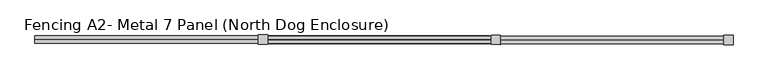
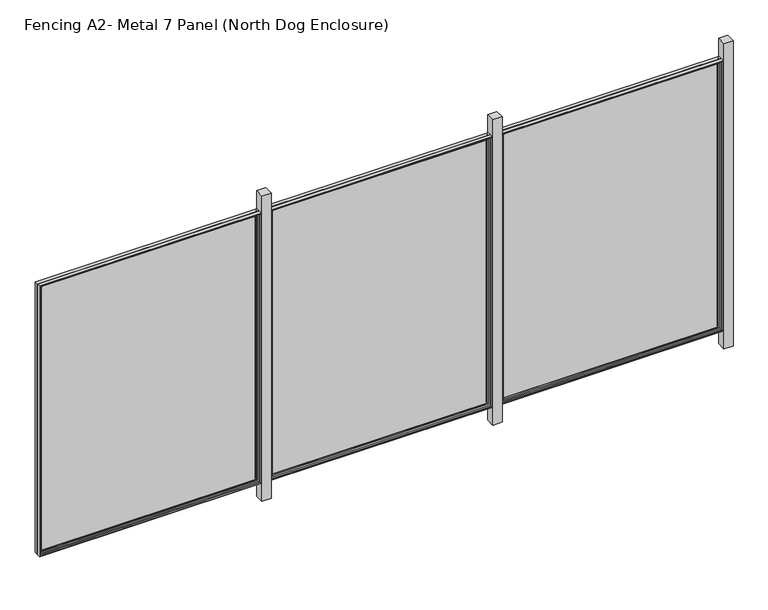
"""IFC4 building model written with IfcOpenShell, lengths in millimetres: railing geometry, Fencing A2- Metal 7 Panel (North Dog Enclosure)."""

from ifc_helpers import new_model, si_unit, frame, origin, place, context, project, spatial, polyline, ellipse_curve, outline, extrude, source, transform, mapped, element, save
from ifc_brep_helpers import plane_surface, cylinder_surface, advanced_brep


def fencing_a2_metal_7_panel_north_dog_enclosure_f3e78f8b(model_context):
    return source(origin(), model_context, "Body", "SolidModel", [
        advanced_brep(
        [(24522.8344246, 2303.1159469, 908.05), (24526.0131912, 2306.2871759, 911.225), (24526.0131912, 2306.2871759, -657.225), (24522.8344246, 2303.1159469, -654.05), (23313.1640457, 2307.7268643, -657.225), (23316.3352746, 2304.5480977, -654.05), (23309.9890479, 2307.7306331, -660.4), (23309.9890479, 2307.7306331, 914.4), (24529.188189, 2306.283407, 914.4), (24529.188189, 2306.283407, -660.4), (23313.1640457, 2307.7268643, 911.225), (23316.3352746, 2304.5480977, 908.05), (24522.8231182, 2293.5909536, -654.05), (23316.3239682, 2295.0231044, -654.05), (24522.8231182, 2293.5909536, 908.05), (23316.3239682, 2295.0231044, 908.05), (24513.2981249, 2293.6022601, -644.525), (24513.2981249, 2293.6022601, 898.525), (23325.8489615, 2295.011798, 898.525), (23325.8489615, 2295.011798, -644.525), (24510.1193583, 2290.4310311, 895.35), (24510.1193583, 2290.4310311, -641.35), (23329.0201904, 2291.8330314, -641.35), (23329.0201904, 2291.8330314, 895.35), (24510.1155895, 2287.2560334, -641.35), (23329.0164216, 2288.6580337, -641.35), (24510.1155895, 2287.2560334, 895.35), (23329.0164216, 2288.6580337, 895.35), (24529.1655761, 2287.2334205, -660.4), (24529.1655761, 2287.2334205, 914.4), (23309.966435, 2288.6806466, 914.4), (23309.966435, 2288.6806466, -660.4)],
        [
            (0, 1, ellipse_curve(frame((24526.0094224, 2303.1121781, 911.225), z_axis=(0.7071062830160321, -0.0008393564505195757, -0.7071067811865475), x_axis=(0.707106283016032, -0.0008393564505195756, 0.7071067811865476)), 4.4901281, 3.175)),
            (1, 2),
            (2, 3, ellipse_curve(frame((24526.0094224, 2303.1121781, -657.225), z_axis=(0.7071062830160321, -0.0008393564505195757, 0.7071067811865475), x_axis=(-0.707106283016032, 0.0008393564505195756, 0.7071067811865476)), 4.4901281, 3.175)),
            (3, 0),
            (2, 4),
            (4, 5, ellipse_curve(frame((23313.1602769, 2304.5518666, -657.225), z_axis=(0.7071062830160321, -0.0008393564505195757, -0.7071067811865475), x_axis=(0.7071062830160322, -0.0008393564505195758, 0.7071067811865474)), 4.4901281, 3.175)),
            (5, 3),
            (6, 7),
            (7, 8),
            (8, 9),
            (9, 6),
            (1, 10),
            (10, 4),
            (10, 11, ellipse_curve(frame((23313.1602769, 2304.5518666, 911.225), z_axis=(-0.7071062830160321, 0.0008393564505195757, -0.7071067811865475), x_axis=(0.707106283016032, -0.0008393564505195756, -0.7071067811865476)), 4.4901281, 3.175)),
            (11, 5),
            (12, 3),
            (5, 13),
            (13, 12),
            (14, 0),
            (12, 14),
            (11, 15),
            (15, 13),
            (15, 14),
            (16, 17),
            (17, 18),
            (18, 19),
            (19, 16),
            (20, 17, ellipse_curve(frame((24513.2943561, 2290.4272623, 898.525), z_axis=(0.7071062830160321, -0.0008393564505195757, -0.7071067811865475), x_axis=(0.707106283016032, -0.0008393564505195756, 0.7071067811865476)), 4.4901281, 3.175)),
            (16, 21, ellipse_curve(frame((24513.2943561, 2290.4272623, -644.525), z_axis=(0.7071062830160321, -0.0008393564505195757, 0.7071067811865475), x_axis=(-0.707106283016032, 0.0008393564505195756, 0.7071067811865476)), 4.4901281, 3.175)),
            (21, 20),
            (19, 22, ellipse_curve(frame((23325.8451927, 2291.8368002, -644.525), z_axis=(0.7071062830160321, -0.0008393564505195757, -0.7071067811865475), x_axis=(0.7071062830160322, -0.0008393564505195758, 0.7071067811865474)), 4.4901281, 3.175)),
            (22, 21),
            (18, 23, ellipse_curve(frame((23325.8451927, 2291.8368002, 898.525), z_axis=(-0.7071062830160321, 0.0008393564505195757, -0.7071067811865475), x_axis=(0.707106283016032, -0.0008393564505195756, -0.7071067811865476)), 4.4901281, 3.175)),
            (23, 22),
            (24, 21),
            (22, 25),
            (25, 24),
            (26, 20),
            (24, 26),
            (23, 27),
            (27, 25),
            (28, 29),
            (29, 30),
            (30, 31),
            (31, 28),
            (27, 26),
            (8, 29),
            (28, 9),
            (31, 6),
            (30, 7),
            (0, 11),
            (20, 23),
        ],
        [
            cylinder_surface(frame((24526.0094224, 2303.1121781, 914.4), z_axis=(0.0, 0.0, 1.0), x_axis=(0.9999992954805008, -0.0011870292759906809, 0.0)), 3.175),
            cylinder_surface(frame((24529.1844202, 2303.1084093, -657.225), z_axis=(0.9999992954805008, -0.0011870292759901258, 0.0), x_axis=(0.0, 0.0, -1.0)), 3.175),
            plane_surface(frame((24529.188189, 2306.283407, 914.4), z_axis=(0.0011870292759906809, 0.9999992954805008, 0.0), x_axis=(0.0, 0.0, -1.0))),
            cylinder_surface(frame((23313.1602769, 2304.5518666, -660.4), z_axis=(0.0, 0.0, -1.0), x_axis=(-0.9999992954805008, 0.0011870292759895706, 0.0)), 3.175),
            plane_surface(frame((24522.8344246, 2303.1159469, -654.05), z_axis=(0.0, 0.0, 1.0), x_axis=(-0.9999992954805008, 0.0011870292759901305, 0.0))),
            plane_surface(frame((24522.8344246, 2303.1159469, 908.05), z_axis=(-0.9999992954805008, 0.0011870292759906809, 0.0), x_axis=(0.0, 0.0, -1.0))),
            plane_surface(frame((23316.3352746, 2304.5480977, -654.05), z_axis=(0.9999992954805008, -0.0011870292759895706, 0.0), x_axis=(0.0, 0.0, 1.0))),
            plane_surface(frame((24522.8231182, 2293.5909536, 908.05), z_axis=(0.0011870292759906809, 0.9999992954805008, 0.0), x_axis=(0.0, 0.0, -1.0))),
            cylinder_surface(frame((24513.2943561, 2290.4272623, 914.4), z_axis=(0.0, 0.0, 1.0), x_axis=(0.9999992954805008, -0.0011870292759906809, 0.0)), 3.175),
            cylinder_surface(frame((24529.1693449, 2290.4084182, -644.525), z_axis=(0.9999992954805008, -0.0011870292759901258, 0.0), x_axis=(0.0, 0.0, -1.0)), 3.175),
            cylinder_surface(frame((23325.8451927, 2291.8368002, -660.4), z_axis=(0.0, 0.0, -1.0), x_axis=(-0.9999992954805008, 0.0011870292759895706, 0.0)), 3.175),
            plane_surface(frame((24510.1193583, 2290.4310311, -641.35), z_axis=(0.0, 0.0, 1.0), x_axis=(-0.9999992954805008, 0.001187029275990133, 0.0))),
            plane_surface(frame((24510.1193583, 2290.4310311, 895.35), z_axis=(-0.9999992954805008, 0.0011870292759906809, 0.0), x_axis=(0.0, 0.0, -1.0))),
            plane_surface(frame((23329.0201904, 2291.8330314, -641.35), z_axis=(0.9999992954805008, -0.0011870292759895706, 0.0), x_axis=(0.0, 0.0, 1.0))),
            plane_surface(frame((24510.1155895, 2287.2560334, 895.35), z_axis=(-0.0011870292759906809, -0.9999992954805008, 0.0), x_axis=(0.0, 0.0, -1.0))),
            plane_surface(frame((24529.1655761, 2287.2334205, 914.4), z_axis=(0.9999992954805008, -0.0011870292759906809, 0.0), x_axis=(0.0, 0.0, -1.0))),
            plane_surface(frame((24529.1655761, 2287.2334205, -660.4), z_axis=(0.0, 0.0, -1.0), x_axis=(-0.9999992954805008, 0.0011870292759901258, 0.0))),
            plane_surface(frame((23309.966435, 2288.6806466, -660.4), z_axis=(-0.9999992954805008, 0.0011870292759895706, 0.0), x_axis=(0.0, 0.0, 1.0))),
            cylinder_surface(frame((23309.9852791, 2304.5556354, 911.225), z_axis=(-0.9999992954805008, 0.0011870292759901258, 0.0), x_axis=(0.0, 0.0, 1.0)), 3.175),
            plane_surface(frame((23316.3352746, 2304.5480977, 908.05), z_axis=(0.0, 0.0, -1.0), x_axis=(0.9999992954805008, -0.0011870292759901268, 0.0))),
            cylinder_surface(frame((23309.9702038, 2291.8556443, 898.525), z_axis=(-0.9999992954805008, 0.0011870292759901258, 0.0), x_axis=(0.0, 0.0, 1.0)), 3.175),
            plane_surface(frame((23329.0201904, 2291.8330314, 895.35), z_axis=(0.0, 0.0, -1.0), x_axis=(0.9999992954805008, -0.001187029275990133, 0.0))),
            plane_surface(frame((23309.966435, 2288.6806466, 914.4), z_axis=(0.0, 0.0, 1.0), x_axis=(0.9999992954805008, -0.0011870292759901258, 0.0))),
        ],
        [
            (0, [[1, 2, 3, 4]]),
            (1, [[-3, 5, 6, 7]]),
            (2, [[8, 9, 10, 11], [-2, 12, 13, -5]]),
            (3, [[-6, -13, 14, 15]]),
            (4, [[16, -7, 17, 18]]),
            (5, [[19, -4, -16, 20]]),
            (6, [[-17, -15, 21, 22]]),
            (7, [[-22, 23, -20, -18], [24, 25, 26, 27]]),
            (8, [[28, -24, 29, 30]]),
            (9, [[-29, -27, 31, 32]]),
            (10, [[-31, -26, 33, 34]]),
            (11, [[35, -32, 36, 37]]),
            (12, [[38, -30, -35, 39]]),
            (13, [[-36, -34, 40, 41]]),
            (14, [[42, 43, 44, 45], [-41, 46, -39, -37]]),
            (15, [[47, -42, 48, -10]]),
            (16, [[-48, -45, 49, -11]]),
            (17, [[-49, -44, 50, -8]]),
            (18, [[-14, -12, -1, 51]]),
            (19, [[-21, -51, -19, -23]]),
            (20, [[-33, -25, -28, 52]]),
            (21, [[-40, -52, -38, -46]]),
            (22, [[-50, -43, -47, -9]]),
        ],
    ),
        advanced_brep(
        [(24529.1618073, 2284.0584227, 914.4), (24529.1391944, 2265.0084361, 914.4), (24529.1391944, 2265.0084361, -660.4), (24529.1618073, 2284.0584227, -660.4), (23309.9400533, 2266.4556622, -660.4), (23309.9626662, 2285.5056488, -660.4), (23309.9400533, 2266.4556622, 914.4), (23313.1150511, 2266.4518934, -657.225), (23313.1150511, 2266.4518934, 911.225), (24525.9641966, 2265.0122049, 911.225), (24525.9641966, 2265.0122049, -657.225), (23309.9626662, 2285.5056488, 914.4), (24510.1118207, 2284.0810356, -641.35), (24510.1118207, 2284.0810356, 895.35), (23329.0126528, 2285.4830359, 895.35), (23329.0126528, 2285.4830359, -641.35), (24510.1080519, 2280.9060378, 895.35), (24510.1080519, 2280.9060378, -641.35), (23329.008884, 2282.3080381, -641.35), (23329.008884, 2282.3080381, 895.35), (24513.2792808, 2277.7272713, -644.525), (23325.8301174, 2279.1368092, -644.525), (24513.2792808, 2277.7272713, 898.525), (23325.8301174, 2279.1368092, 898.525), (24522.8042741, 2277.7159648, -654.05), (24522.8042741, 2277.7159648, 908.05), (23316.3051241, 2279.1481156, 908.05), (23316.3051241, 2279.1481156, -654.05), (24522.7929676, 2268.1909715, 908.05), (24522.7929676, 2268.1909715, -654.05), (23316.2938176, 2269.6231223, -654.05), (23316.2938176, 2269.6231223, 908.05)],
        [
            (0, 1),
            (1, 2),
            (2, 3),
            (3, 0),
            (2, 4),
            (4, 5),
            (5, 3),
            (1, 6),
            (6, 4),
            (7, 8),
            (8, 9),
            (9, 10),
            (10, 7),
            (6, 11),
            (11, 5),
            (11, 0),
            (12, 13),
            (13, 14),
            (14, 15),
            (15, 12),
            (16, 13),
            (12, 17),
            (17, 16),
            (15, 18),
            (18, 17),
            (14, 19),
            (19, 18),
            (20, 17, ellipse_curve(frame((24513.2830496, 2280.902269, -644.525), z_axis=(-0.7071062830160321, 0.0008393564505195757, -0.7071067811865475), x_axis=(0.7071062830160322, -0.0008393564505195758, -0.7071067811865474)), 4.4901281, 3.175)),
            (18, 21, ellipse_curve(frame((23325.8338862, 2282.3118069, -644.525), z_axis=(0.7071062830160321, -0.0008393564505195757, -0.7071067811865475), x_axis=(0.7071062830160322, -0.0008393564505195758, 0.7071067811865474)), 4.4901281, 3.175)),
            (21, 20),
            (22, 16, ellipse_curve(frame((24513.2830496, 2280.902269, 898.525), z_axis=(0.7071062830160321, -0.0008393564505195757, -0.7071067811865475), x_axis=(0.707106283016032, -0.0008393564505195756, 0.7071067811865476)), 4.4901281, 3.175)),
            (20, 22),
            (19, 23, ellipse_curve(frame((23325.8338862, 2282.3118069, 898.525), z_axis=(-0.7071062830160321, 0.0008393564505195757, -0.7071067811865475), x_axis=(0.707106283016032, -0.0008393564505195756, -0.7071067811865476)), 4.4901281, 3.175)),
            (23, 21),
            (24, 25),
            (25, 26),
            (26, 27),
            (27, 24),
            (23, 22),
            (28, 25),
            (24, 29),
            (29, 28),
            (27, 30),
            (30, 29),
            (26, 31),
            (31, 30),
            (10, 29, ellipse_curve(frame((24525.9679654, 2268.1872027, -657.225), z_axis=(-0.7071062830160321, 0.0008393564505195757, -0.7071067811865475), x_axis=(0.7071062830160322, -0.0008393564505195758, -0.7071067811865474)), 4.4901281, 3.175)),
            (30, 7, ellipse_curve(frame((23313.1188199, 2269.6268912, -657.225), z_axis=(0.7071062830160321, -0.0008393564505195757, -0.7071067811865475), x_axis=(0.7071062830160322, -0.0008393564505195758, 0.7071067811865474)), 4.4901281, 3.175)),
            (9, 28, ellipse_curve(frame((24525.9679654, 2268.1872027, 911.225), z_axis=(0.7071062830160321, -0.0008393564505195757, -0.7071067811865475), x_axis=(0.707106283016032, -0.0008393564505195756, 0.7071067811865476)), 4.4901281, 3.175)),
            (31, 8, ellipse_curve(frame((23313.1188199, 2269.6268912, 911.225), z_axis=(-0.7071062830160321, 0.0008393564505195757, -0.7071067811865475), x_axis=(0.707106283016032, -0.0008393564505195756, -0.7071067811865476)), 4.4901281, 3.175)),
            (16, 19),
            (28, 31),
        ],
        [
            plane_surface(frame((24529.1391944, 2265.0084361, 914.4), z_axis=(0.9999992954805008, -0.0011870292759906809, 0.0), x_axis=(0.0, 0.0, -1.0))),
            plane_surface(frame((24529.1391944, 2265.0084361, -660.4), z_axis=(0.0, 0.0, -1.0), x_axis=(-0.9999992954805008, 0.0011870292759901258, 0.0))),
            plane_surface(frame((24525.9641966, 2265.0122049, 911.225), z_axis=(-0.0011870292759906809, -0.9999992954805008, 0.0), x_axis=(0.0, 0.0, -1.0))),
            plane_surface(frame((23309.9400533, 2266.4556622, -660.4), z_axis=(-0.9999992954805008, 0.0011870292759895706, 0.0), x_axis=(0.0, 0.0, 1.0))),
            plane_surface(frame((24529.1618073, 2284.0584227, 914.4), z_axis=(0.0011870292759906809, 0.9999992954805008, 0.0), x_axis=(0.0, 0.0, -1.0))),
            plane_surface(frame((24510.1118207, 2284.0810356, 895.35), z_axis=(-0.9999992954805008, 0.0011870292759906809, 0.0), x_axis=(0.0, 0.0, -1.0))),
            plane_surface(frame((24510.1118207, 2284.0810356, -641.35), z_axis=(0.0, 0.0, 1.0), x_axis=(-0.9999992954805008, 0.001187029275990133, 0.0))),
            plane_surface(frame((23329.0126528, 2285.4830359, -641.35), z_axis=(0.9999992954805008, -0.0011870292759895706, 0.0), x_axis=(0.0, 0.0, 1.0))),
            cylinder_surface(frame((24529.1580384, 2280.8834249, -644.525), z_axis=(0.9999992954805008, -0.0011870292759901258, 0.0), x_axis=(0.0, 0.0, -1.0)), 3.175),
            cylinder_surface(frame((24513.2830496, 2280.902269, 914.4), z_axis=(0.0, 0.0, 1.0), x_axis=(0.9999992954805008, -0.0011870292759906809, 0.0)), 3.175),
            cylinder_surface(frame((23325.8338862, 2282.3118069, -660.4), z_axis=(0.0, 0.0, -1.0), x_axis=(-0.9999992954805008, 0.0011870292759895706, 0.0)), 3.175),
            plane_surface(frame((24513.2792808, 2277.7272713, 898.525), z_axis=(-0.0011870292759906809, -0.9999992954805008, 0.0), x_axis=(0.0, 0.0, -1.0))),
            plane_surface(frame((24522.8042741, 2277.7159648, 908.05), z_axis=(-0.9999992954805008, 0.0011870292759906809, 0.0), x_axis=(0.0, 0.0, -1.0))),
            plane_surface(frame((24522.8042741, 2277.7159648, -654.05), z_axis=(0.0, 0.0, 1.0), x_axis=(-0.9999992954805008, 0.0011870292759901268, 0.0))),
            plane_surface(frame((23316.3051241, 2279.1481156, -654.05), z_axis=(0.9999992954805008, -0.0011870292759895706, 0.0), x_axis=(0.0, 0.0, 1.0))),
            cylinder_surface(frame((24529.1429632, 2268.1834339, -657.225), z_axis=(0.9999992954805008, -0.0011870292759901258, 0.0), x_axis=(0.0, 0.0, -1.0)), 3.175),
            cylinder_surface(frame((24525.9679654, 2268.1872027, 914.4), z_axis=(0.0, 0.0, 1.0), x_axis=(0.9999992954805008, -0.0011870292759906809, 0.0)), 3.175),
            cylinder_surface(frame((23313.1188199, 2269.6268912, -660.4), z_axis=(0.0, 0.0, -1.0), x_axis=(-0.9999992954805008, 0.0011870292759895706, 0.0)), 3.175),
            plane_surface(frame((23309.9400533, 2266.4556622, 914.4), z_axis=(0.0, 0.0, 1.0), x_axis=(0.9999992954805008, -0.0011870292759901258, 0.0))),
            plane_surface(frame((23329.0126528, 2285.4830359, 895.35), z_axis=(0.0, 0.0, -1.0), x_axis=(0.9999992954805008, -0.001187029275990133, 0.0))),
            cylinder_surface(frame((23309.9588974, 2282.330651, 898.525), z_axis=(-0.9999992954805008, 0.0011870292759901258, 0.0), x_axis=(0.0, 0.0, 1.0)), 3.175),
            plane_surface(frame((23316.3051241, 2279.1481156, 908.05), z_axis=(0.0, 0.0, -1.0), x_axis=(0.9999992954805008, -0.0011870292759901268, 0.0))),
            cylinder_surface(frame((23309.9438221, 2269.63066, 911.225), z_axis=(-0.9999992954805008, 0.0011870292759901258, 0.0), x_axis=(0.0, 0.0, 1.0)), 3.175),
        ],
        [
            (0, [[1, 2, 3, 4]]),
            (1, [[-3, 5, 6, 7]]),
            (2, [[-2, 8, 9, -5], [10, 11, 12, 13]]),
            (3, [[-6, -9, 14, 15]]),
            (4, [[-15, 16, -4, -7], [17, 18, 19, 20]]),
            (5, [[21, -17, 22, 23]]),
            (6, [[-22, -20, 24, 25]]),
            (7, [[-24, -19, 26, 27]]),
            (8, [[28, -25, 29, 30]]),
            (9, [[31, -23, -28, 32]]),
            (10, [[-29, -27, 33, 34]]),
            (11, [[35, 36, 37, 38], [-34, 39, -32, -30]]),
            (12, [[40, -35, 41, 42]]),
            (13, [[-41, -38, 43, 44]]),
            (14, [[-43, -37, 45, 46]]),
            (15, [[47, -44, 48, -13]]),
            (16, [[49, -42, -47, -12]]),
            (17, [[-48, -46, 50, -10]]),
            (18, [[-14, -8, -1, -16]]),
            (19, [[-26, -18, -21, 51]]),
            (20, [[-33, -51, -31, -39]]),
            (21, [[-45, -36, -40, 52]]),
            (22, [[-50, -52, -49, -11]]),
        ],
    ),
        extrude(outline(polyline([(24529.1618073, 2284.0584227), (23309.9626662, 2285.5056488), (23309.966435, 2288.6806466), (24529.1655761, 2287.2334205), (24529.1618073, 2284.0584227)])), frame((0.0, 0.0, -660.4), z_axis=(0.0, 0.0, 1.0), x_axis=(1.0, 0.0, 0.0)), (0.0, 0.0, 1.0), 1574.8),
        extrude(outline(polyline([(24579.9938064, 2310.9856026), (24579.9335053, 2260.1856384), (24529.1335411, 2260.2459395), (24529.1938422, 2311.0459037), (24579.9938064, 2310.9856026)])), frame((0.0, 0.0, -762.0), z_axis=(0.0, 0.0, 1.0), x_axis=(1.0, 0.0, 0.0)), (0.0, 0.0, 1.0), 1778.0),
        advanced_brep(
        [(25792.8335299, 2301.6084197, 908.05), (25796.0122965, 2304.7796487, 911.225), (25796.0122965, 2304.7796487, -657.225), (25792.8335299, 2301.6084197, -654.05), (24583.163151, 2306.2193371, -657.225), (24586.3343799, 2303.0405706, -654.05), (24579.9881532, 2306.223106, -660.4), (24579.9881532, 2306.223106, 914.4), (25799.1872942, 2304.7758799, 914.4), (25799.1872942, 2304.7758799, -660.4), (24583.163151, 2306.2193371, 911.225), (24586.3343799, 2303.0405706, 908.05), (25792.8222234, 2292.0834264, -654.05), (24586.3230735, 2293.5155773, -654.05), (25792.8222234, 2292.0834264, 908.05), (24586.3230735, 2293.5155773, 908.05), (25783.2972302, 2292.0947329, -644.525), (25783.2972302, 2292.0947329, 898.525), (24595.8480667, 2293.5042708, 898.525), (24595.8480667, 2293.5042708, -644.525), (25780.1184636, 2288.923504, 895.35), (25780.1184636, 2288.923504, -641.35), (24599.0192957, 2290.3255042, -641.35), (24599.0192957, 2290.3255042, 895.35), (25780.1146948, 2285.7485062, -641.35), (24599.0155269, 2287.1505065, -641.35), (25780.1146948, 2285.7485062, 895.35), (24599.0155269, 2287.1505065, 895.35), (25799.1646813, 2285.7258933, -660.4), (25799.1646813, 2285.7258933, 914.4), (24579.9655403, 2287.1731194, 914.4), (24579.9655403, 2287.1731194, -660.4)],
        [
            (0, 1, ellipse_curve(frame((25796.0085277, 2301.6046509, 911.225), z_axis=(0.7071062830160321, -0.0008393564505195757, -0.7071067811865475), x_axis=(0.707106283016032, -0.0008393564505195756, 0.7071067811865476)), 4.4901281, 3.175)),
            (1, 2),
            (2, 3, ellipse_curve(frame((25796.0085277, 2301.6046509, -657.225), z_axis=(0.7071062830160321, -0.0008393564505195757, 0.7071067811865475), x_axis=(-0.707106283016032, 0.0008393564505195756, 0.7071067811865476)), 4.4901281, 3.175)),
            (3, 0),
            (2, 4),
            (4, 5, ellipse_curve(frame((24583.1593821, 2303.0443394, -657.225), z_axis=(0.7071062830160321, -0.0008393564505195757, -0.7071067811865475), x_axis=(0.7071062830160322, -0.0008393564505195758, 0.7071067811865474)), 4.4901281, 3.175)),
            (5, 3),
            (6, 7),
            (7, 8),
            (8, 9),
            (9, 6),
            (1, 10),
            (10, 4),
            (10, 11, ellipse_curve(frame((24583.1593821, 2303.0443394, 911.225), z_axis=(-0.7071062830160321, 0.0008393564505195757, -0.7071067811865475), x_axis=(0.707106283016032, -0.0008393564505195756, -0.7071067811865476)), 4.4901281, 3.175)),
            (11, 5),
            (12, 3),
            (5, 13),
            (13, 12),
            (14, 0),
            (12, 14),
            (11, 15),
            (15, 13),
            (15, 14),
            (16, 17),
            (17, 18),
            (18, 19),
            (19, 16),
            (20, 17, ellipse_curve(frame((25783.2934613, 2288.9197351, 898.525), z_axis=(0.7071062830160321, -0.0008393564505195757, -0.7071067811865475), x_axis=(0.707106283016032, -0.0008393564505195756, 0.7071067811865476)), 4.4901281, 3.175)),
            (16, 21, ellipse_curve(frame((25783.2934613, 2288.9197351, -644.525), z_axis=(0.7071062830160321, -0.0008393564505195757, 0.7071067811865475), x_axis=(-0.707106283016032, 0.0008393564505195756, 0.7071067811865476)), 4.4901281, 3.175)),
            (21, 20),
            (19, 22, ellipse_curve(frame((24595.8442979, 2290.3292731, -644.525), z_axis=(0.7071062830160321, -0.0008393564505195757, -0.7071067811865475), x_axis=(0.7071062830160322, -0.0008393564505195758, 0.7071067811865474)), 4.4901281, 3.175)),
            (22, 21),
            (18, 23, ellipse_curve(frame((24595.8442979, 2290.3292731, 898.525), z_axis=(-0.7071062830160321, 0.0008393564505195757, -0.7071067811865475), x_axis=(0.707106283016032, -0.0008393564505195756, -0.7071067811865476)), 4.4901281, 3.175)),
            (23, 22),
            (24, 21),
            (22, 25),
            (25, 24),
            (26, 20),
            (24, 26),
            (23, 27),
            (27, 25),
            (28, 29),
            (29, 30),
            (30, 31),
            (31, 28),
            (27, 26),
            (8, 29),
            (28, 9),
            (31, 6),
            (30, 7),
            (0, 11),
            (20, 23),
        ],
        [
            cylinder_surface(frame((25796.0085277, 2301.6046509, 914.4), z_axis=(0.0, 0.0, 1.0), x_axis=(0.9999992954805008, -0.0011870292759906809, 0.0)), 3.175),
            cylinder_surface(frame((25799.1835254, 2301.6008821, -657.225), z_axis=(0.9999992954805008, -0.0011870292759901258, 0.0), x_axis=(0.0, 0.0, -1.0)), 3.175),
            plane_surface(frame((25799.1872942, 2304.7758799, 914.4), z_axis=(0.0011870292759906809, 0.9999992954805008, 0.0), x_axis=(0.0, 0.0, -1.0))),
            cylinder_surface(frame((24583.1593821, 2303.0443394, -660.4), z_axis=(0.0, 0.0, -1.0), x_axis=(-0.9999992954805008, 0.0011870292759895706, 0.0)), 3.175),
            plane_surface(frame((25792.8335299, 2301.6084197, -654.05), z_axis=(0.0, 0.0, 1.0), x_axis=(-0.9999992954805008, 0.0011870292759901305, 0.0))),
            plane_surface(frame((25792.8335299, 2301.6084197, 908.05), z_axis=(-0.9999992954805008, 0.0011870292759906809, 0.0), x_axis=(0.0, 0.0, -1.0))),
            plane_surface(frame((24586.3343799, 2303.0405706, -654.05), z_axis=(0.9999992954805008, -0.0011870292759895706, 0.0), x_axis=(0.0, 0.0, 1.0))),
            plane_surface(frame((25792.8222234, 2292.0834264, 908.05), z_axis=(0.0011870292759906809, 0.9999992954805008, 0.0), x_axis=(0.0, 0.0, -1.0))),
            cylinder_surface(frame((25783.2934613, 2288.9197351, 914.4), z_axis=(0.0, 0.0, 1.0), x_axis=(0.9999992954805008, -0.0011870292759906809, 0.0)), 3.175),
            cylinder_surface(frame((25799.1684502, 2288.900891, -644.525), z_axis=(0.9999992954805008, -0.0011870292759901258, 0.0), x_axis=(0.0, 0.0, -1.0)), 3.175),
            cylinder_surface(frame((24595.8442979, 2290.3292731, -660.4), z_axis=(0.0, 0.0, -1.0), x_axis=(-0.9999992954805008, 0.0011870292759895706, 0.0)), 3.175),
            plane_surface(frame((25780.1184636, 2288.923504, -641.35), z_axis=(0.0, 0.0, 1.0), x_axis=(-0.9999992954805008, 0.001187029275990133, 0.0))),
            plane_surface(frame((25780.1184636, 2288.923504, 895.35), z_axis=(-0.9999992954805008, 0.0011870292759906809, 0.0), x_axis=(0.0, 0.0, -1.0))),
            plane_surface(frame((24599.0192957, 2290.3255042, -641.35), z_axis=(0.9999992954805008, -0.0011870292759895706, 0.0), x_axis=(0.0, 0.0, 1.0))),
            plane_surface(frame((25780.1146948, 2285.7485062, 895.35), z_axis=(-0.0011870292759906809, -0.9999992954805008, 0.0), x_axis=(0.0, 0.0, -1.0))),
            plane_surface(frame((25799.1646813, 2285.7258933, 914.4), z_axis=(0.9999992954805008, -0.0011870292759906809, 0.0), x_axis=(0.0, 0.0, -1.0))),
            plane_surface(frame((25799.1646813, 2285.7258933, -660.4), z_axis=(0.0, 0.0, -1.0), x_axis=(-0.9999992954805008, 0.0011870292759901258, 0.0))),
            plane_surface(frame((24579.9655403, 2287.1731194, -660.4), z_axis=(-0.9999992954805008, 0.0011870292759895706, 0.0), x_axis=(0.0, 0.0, 1.0))),
            cylinder_surface(frame((24579.9843844, 2303.0481082, 911.225), z_axis=(-0.9999992954805008, 0.0011870292759901258, 0.0), x_axis=(0.0, 0.0, 1.0)), 3.175),
            plane_surface(frame((24586.3343799, 2303.0405706, 908.05), z_axis=(0.0, 0.0, -1.0), x_axis=(0.9999992954805008, -0.0011870292759901268, 0.0))),
            cylinder_surface(frame((24579.9693091, 2290.3481171, 898.525), z_axis=(-0.9999992954805008, 0.0011870292759901258, 0.0), x_axis=(0.0, 0.0, 1.0)), 3.175),
            plane_surface(frame((24599.0192957, 2290.3255042, 895.35), z_axis=(0.0, 0.0, -1.0), x_axis=(0.9999992954805008, -0.001187029275990133, 0.0))),
            plane_surface(frame((24579.9655403, 2287.1731194, 914.4), z_axis=(0.0, 0.0, 1.0), x_axis=(0.9999992954805008, -0.0011870292759901258, 0.0))),
        ],
        [
            (0, [[1, 2, 3, 4]]),
            (1, [[-3, 5, 6, 7]]),
            (2, [[8, 9, 10, 11], [-2, 12, 13, -5]]),
            (3, [[-6, -13, 14, 15]]),
            (4, [[16, -7, 17, 18]]),
            (5, [[19, -4, -16, 20]]),
            (6, [[-17, -15, 21, 22]]),
            (7, [[-22, 23, -20, -18], [24, 25, 26, 27]]),
            (8, [[28, -24, 29, 30]]),
            (9, [[-29, -27, 31, 32]]),
            (10, [[-31, -26, 33, 34]]),
            (11, [[35, -32, 36, 37]]),
            (12, [[38, -30, -35, 39]]),
            (13, [[-36, -34, 40, 41]]),
            (14, [[42, 43, 44, 45], [-41, 46, -39, -37]]),
            (15, [[47, -42, 48, -10]]),
            (16, [[-48, -45, 49, -11]]),
            (17, [[-49, -44, 50, -8]]),
            (18, [[-14, -12, -1, 51]]),
            (19, [[-21, -51, -19, -23]]),
            (20, [[-33, -25, -28, 52]]),
            (21, [[-40, -52, -38, -46]]),
            (22, [[-50, -43, -47, -9]]),
        ],
    ),
        advanced_brep(
        [(25799.1609125, 2282.5508955, 914.4), (25799.1382996, 2263.5009089, 914.4), (25799.1382996, 2263.5009089, -660.4), (25799.1609125, 2282.5508955, -660.4), (24579.9391586, 2264.948135, -660.4), (24579.9617715, 2283.9981216, -660.4), (24579.9391586, 2264.948135, 914.4), (24583.1141563, 2264.9443662, -657.225), (24583.1141563, 2264.9443662, 911.225), (25795.9633019, 2263.5046778, 911.225), (25795.9633019, 2263.5046778, -657.225), (24579.9617715, 2283.9981216, 914.4), (25780.1109259, 2282.5735084, -641.35), (25780.1109259, 2282.5735084, 895.35), (24599.0117581, 2283.9755087, 895.35), (24599.0117581, 2283.9755087, -641.35), (25780.1071571, 2279.3985107, 895.35), (25780.1071571, 2279.3985107, -641.35), (24599.0079892, 2280.8005109, -641.35), (24599.0079892, 2280.8005109, 895.35), (25783.2783861, 2276.2197441, -644.525), (24595.8292227, 2277.629282, -644.525), (25783.2783861, 2276.2197441, 898.525), (24595.8292227, 2277.629282, 898.525), (25792.8033794, 2276.2084376, -654.05), (25792.8033794, 2276.2084376, 908.05), (24586.3042294, 2277.6405885, 908.05), (24586.3042294, 2277.6405885, -654.05), (25792.7920729, 2266.6834443, 908.05), (25792.7920729, 2266.6834443, -654.05), (24586.2929229, 2268.1155952, -654.05), (24586.2929229, 2268.1155952, 908.05)],
        [
            (0, 1),
            (1, 2),
            (2, 3),
            (3, 0),
            (2, 4),
            (4, 5),
            (5, 3),
            (1, 6),
            (6, 4),
            (7, 8),
            (8, 9),
            (9, 10),
            (10, 7),
            (6, 11),
            (11, 5),
            (11, 0),
            (12, 13),
            (13, 14),
            (14, 15),
            (15, 12),
            (16, 13),
            (12, 17),
            (17, 16),
            (15, 18),
            (18, 17),
            (14, 19),
            (19, 18),
            (20, 17, ellipse_curve(frame((25783.2821549, 2279.3947418, -644.525), z_axis=(-0.7071062830160321, 0.0008393564505195757, -0.7071067811865475), x_axis=(0.7071062830160322, -0.0008393564505195758, -0.7071067811865474)), 4.4901281, 3.175)),
            (18, 21, ellipse_curve(frame((24595.8329915, 2280.8042798, -644.525), z_axis=(0.7071062830160321, -0.0008393564505195757, -0.7071067811865475), x_axis=(0.7071062830160322, -0.0008393564505195758, 0.7071067811865474)), 4.4901281, 3.175)),
            (21, 20),
            (22, 16, ellipse_curve(frame((25783.2821549, 2279.3947418, 898.525), z_axis=(0.7071062830160321, -0.0008393564505195757, -0.7071067811865475), x_axis=(0.707106283016032, -0.0008393564505195756, 0.7071067811865476)), 4.4901281, 3.175)),
            (20, 22),
            (19, 23, ellipse_curve(frame((24595.8329915, 2280.8042798, 898.525), z_axis=(-0.7071062830160321, 0.0008393564505195757, -0.7071067811865475), x_axis=(0.707106283016032, -0.0008393564505195756, -0.7071067811865476)), 4.4901281, 3.175)),
            (23, 21),
            (24, 25),
            (25, 26),
            (26, 27),
            (27, 24),
            (23, 22),
            (28, 25),
            (24, 29),
            (29, 28),
            (27, 30),
            (30, 29),
            (26, 31),
            (31, 30),
            (10, 29, ellipse_curve(frame((25795.9670707, 2266.6796755, -657.225), z_axis=(-0.7071062830160321, 0.0008393564505195757, -0.7071067811865475), x_axis=(0.7071062830160322, -0.0008393564505195758, -0.7071067811865474)), 4.4901281, 3.175)),
            (30, 7, ellipse_curve(frame((24583.1179251, 2268.119364, -657.225), z_axis=(0.7071062830160321, -0.0008393564505195757, -0.7071067811865475), x_axis=(0.7071062830160322, -0.0008393564505195758, 0.7071067811865474)), 4.4901281, 3.175)),
            (9, 28, ellipse_curve(frame((25795.9670707, 2266.6796755, 911.225), z_axis=(0.7071062830160321, -0.0008393564505195757, -0.7071067811865475), x_axis=(0.707106283016032, -0.0008393564505195756, 0.7071067811865476)), 4.4901281, 3.175)),
            (31, 8, ellipse_curve(frame((24583.1179251, 2268.119364, 911.225), z_axis=(-0.7071062830160321, 0.0008393564505195757, -0.7071067811865475), x_axis=(0.707106283016032, -0.0008393564505195756, -0.7071067811865476)), 4.4901281, 3.175)),
            (16, 19),
            (28, 31),
        ],
        [
            plane_surface(frame((25799.1382996, 2263.5009089, 914.4), z_axis=(0.9999992954805008, -0.0011870292759906809, 0.0), x_axis=(0.0, 0.0, -1.0))),
            plane_surface(frame((25799.1382996, 2263.5009089, -660.4), z_axis=(0.0, 0.0, -1.0), x_axis=(-0.9999992954805008, 0.0011870292759901258, 0.0))),
            plane_surface(frame((25795.9633019, 2263.5046778, 911.225), z_axis=(-0.0011870292759906809, -0.9999992954805008, 0.0), x_axis=(0.0, 0.0, -1.0))),
            plane_surface(frame((24579.9391586, 2264.948135, -660.4), z_axis=(-0.9999992954805008, 0.0011870292759895706, 0.0), x_axis=(0.0, 0.0, 1.0))),
            plane_surface(frame((25799.1609125, 2282.5508955, 914.4), z_axis=(0.0011870292759906809, 0.9999992954805008, 0.0), x_axis=(0.0, 0.0, -1.0))),
            plane_surface(frame((25780.1109259, 2282.5735084, 895.35), z_axis=(-0.9999992954805008, 0.0011870292759906809, 0.0), x_axis=(0.0, 0.0, -1.0))),
            plane_surface(frame((25780.1109259, 2282.5735084, -641.35), z_axis=(0.0, 0.0, 1.0), x_axis=(-0.9999992954805008, 0.001187029275990133, 0.0))),
            plane_surface(frame((24599.0117581, 2283.9755087, -641.35), z_axis=(0.9999992954805008, -0.0011870292759895706, 0.0), x_axis=(0.0, 0.0, 1.0))),
            cylinder_surface(frame((25799.1571437, 2279.3758978, -644.525), z_axis=(0.9999992954805008, -0.0011870292759901258, 0.0), x_axis=(0.0, 0.0, -1.0)), 3.175),
            cylinder_surface(frame((25783.2821549, 2279.3947418, 914.4), z_axis=(0.0, 0.0, 1.0), x_axis=(0.9999992954805008, -0.0011870292759906809, 0.0)), 3.175),
            cylinder_surface(frame((24595.8329915, 2280.8042798, -660.4), z_axis=(0.0, 0.0, -1.0), x_axis=(-0.9999992954805008, 0.0011870292759895706, 0.0)), 3.175),
            plane_surface(frame((25783.2783861, 2276.2197441, 898.525), z_axis=(-0.0011870292759906809, -0.9999992954805008, 0.0), x_axis=(0.0, 0.0, -1.0))),
            plane_surface(frame((25792.8033794, 2276.2084376, 908.05), z_axis=(-0.9999992954805008, 0.0011870292759906809, 0.0), x_axis=(0.0, 0.0, -1.0))),
            plane_surface(frame((25792.8033794, 2276.2084376, -654.05), z_axis=(0.0, 0.0, 1.0), x_axis=(-0.9999992954805008, 0.0011870292759901268, 0.0))),
            plane_surface(frame((24586.3042294, 2277.6405885, -654.05), z_axis=(0.9999992954805008, -0.0011870292759895706, 0.0), x_axis=(0.0, 0.0, 1.0))),
            cylinder_surface(frame((25799.1420684, 2266.6759067, -657.225), z_axis=(0.9999992954805008, -0.0011870292759901258, 0.0), x_axis=(0.0, 0.0, -1.0)), 3.175),
            cylinder_surface(frame((25795.9670707, 2266.6796755, 914.4), z_axis=(0.0, 0.0, 1.0), x_axis=(0.9999992954805008, -0.0011870292759906809, 0.0)), 3.175),
            cylinder_surface(frame((24583.1179251, 2268.119364, -660.4), z_axis=(0.0, 0.0, -1.0), x_axis=(-0.9999992954805008, 0.0011870292759895706, 0.0)), 3.175),
            plane_surface(frame((24579.9391586, 2264.948135, 914.4), z_axis=(0.0, 0.0, 1.0), x_axis=(0.9999992954805008, -0.0011870292759901258, 0.0))),
            plane_surface(frame((24599.0117581, 2283.9755087, 895.35), z_axis=(0.0, 0.0, -1.0), x_axis=(0.9999992954805008, -0.001187029275990133, 0.0))),
            cylinder_surface(frame((24579.9580027, 2280.8231239, 898.525), z_axis=(-0.9999992954805008, 0.0011870292759901258, 0.0), x_axis=(0.0, 0.0, 1.0)), 3.175),
            plane_surface(frame((24586.3042294, 2277.6405885, 908.05), z_axis=(0.0, 0.0, -1.0), x_axis=(0.9999992954805008, -0.0011870292759901268, 0.0))),
            cylinder_surface(frame((24579.9429274, 2268.1231328, 911.225), z_axis=(-0.9999992954805008, 0.0011870292759901258, 0.0), x_axis=(0.0, 0.0, 1.0)), 3.175),
        ],
        [
            (0, [[1, 2, 3, 4]]),
            (1, [[-3, 5, 6, 7]]),
            (2, [[-2, 8, 9, -5], [10, 11, 12, 13]]),
            (3, [[-6, -9, 14, 15]]),
            (4, [[-15, 16, -4, -7], [17, 18, 19, 20]]),
            (5, [[21, -17, 22, 23]]),
            (6, [[-22, -20, 24, 25]]),
            (7, [[-24, -19, 26, 27]]),
            (8, [[28, -25, 29, 30]]),
            (9, [[31, -23, -28, 32]]),
            (10, [[-29, -27, 33, 34]]),
            (11, [[35, 36, 37, 38], [-34, 39, -32, -30]]),
            (12, [[40, -35, 41, 42]]),
            (13, [[-41, -38, 43, 44]]),
            (14, [[-43, -37, 45, 46]]),
            (15, [[47, -44, 48, -13]]),
            (16, [[49, -42, -47, -12]]),
            (17, [[-48, -46, 50, -10]]),
            (18, [[-14, -8, -1, -16]]),
            (19, [[-26, -18, -21, 51]]),
            (20, [[-33, -51, -31, -39]]),
            (21, [[-45, -36, -40, 52]]),
            (22, [[-50, -52, -49, -11]]),
        ],
    ),
        extrude(outline(polyline([(25799.1609125, 2282.5508955), (24579.9617715, 2283.9981216), (24579.9655403, 2287.1731194), (25799.1646813, 2285.7258933), (25799.1609125, 2282.5508955)])), frame((0.0, 0.0, -660.4), z_axis=(0.0, 0.0, 1.0), x_axis=(1.0, 0.0, 0.0)), (0.0, 0.0, 1.0), 1574.8),
        extrude(outline(polyline([(25849.9929117, 2309.4780754), (25849.9326106, 2258.6781112), (25799.1326464, 2258.7384123), (25799.1929475, 2309.5383765), (25849.9929117, 2309.4780754)])), frame((0.0, 0.0, -762.0), z_axis=(0.0, 0.0, 1.0), x_axis=(1.0, 0.0, 0.0)), (0.0, 0.0, 1.0), 1778.0),
        advanced_brep(
        [(27062.8326352, 2300.1008926, 908.05), (27066.0114017, 2303.2721215, 911.225), (27066.0114017, 2303.2721215, -657.225), (27062.8326352, 2300.1008926, -654.05), (25853.1622562, 2304.71181, -657.225), (25856.3334852, 2301.5330434, -654.05), (25849.9872585, 2304.7155788, -660.4), (25849.9872585, 2304.7155788, 914.4), (27069.1863995, 2303.2683527, 914.4), (27069.1863995, 2303.2683527, -660.4), (25853.1622562, 2304.71181, 911.225), (25856.3334852, 2301.5330434, 908.05), (27062.8213287, 2290.5758993, -654.05), (25856.3221787, 2292.0080501, -654.05), (27062.8213287, 2290.5758993, 908.05), (25856.3221787, 2292.0080501, 908.05), (27053.2963354, 2290.5872057, -644.525), (27053.2963354, 2290.5872057, 898.525), (25865.847172, 2291.9967436, 898.525), (25865.847172, 2291.9967436, -644.525), (27050.1175688, 2287.4159768, 895.35), (27050.1175688, 2287.4159768, -641.35), (25869.0184009, 2288.8179771, -641.35), (25869.0184009, 2288.8179771, 895.35), (27050.1138, 2284.240979, -641.35), (25869.0146321, 2285.6429793, -641.35), (27050.1138, 2284.240979, 895.35), (25869.0146321, 2285.6429793, 895.35), (27069.1637866, 2284.2183661, -660.4), (27069.1637866, 2284.2183661, 914.4), (25849.9646456, 2285.6655922, 914.4), (25849.9646456, 2285.6655922, -660.4)],
        [
            (0, 1, ellipse_curve(frame((27066.0076329, 2300.0971237, 911.225), z_axis=(0.7071062830160321, -0.0008393564505195757, -0.7071067811865475), x_axis=(0.707106283016032, -0.0008393564505195756, 0.7071067811865476)), 4.4901281, 3.175)),
            (1, 2),
            (2, 3, ellipse_curve(frame((27066.0076329, 2300.0971237, -657.225), z_axis=(0.7071062830160321, -0.0008393564505195757, 0.7071067811865475), x_axis=(-0.707106283016032, 0.0008393564505195756, 0.7071067811865476)), 4.4901281, 3.175)),
            (3, 0),
            (2, 4),
            (4, 5, ellipse_curve(frame((25853.1584874, 2301.5368122, -657.225), z_axis=(0.7071062830160321, -0.0008393564505195757, -0.7071067811865475), x_axis=(0.7071062830160322, -0.0008393564505195758, 0.7071067811865474)), 4.4901281, 3.175)),
            (5, 3),
            (6, 7),
            (7, 8),
            (8, 9),
            (9, 6),
            (1, 10),
            (10, 4),
            (10, 11, ellipse_curve(frame((25853.1584874, 2301.5368122, 911.225), z_axis=(-0.7071062830160321, 0.0008393564505195757, -0.7071067811865475), x_axis=(0.707106283016032, -0.0008393564505195756, -0.7071067811865476)), 4.4901281, 3.175)),
            (11, 5),
            (12, 3),
            (5, 13),
            (13, 12),
            (14, 0),
            (12, 14),
            (11, 15),
            (15, 13),
            (15, 14),
            (16, 17),
            (17, 18),
            (18, 19),
            (19, 16),
            (20, 17, ellipse_curve(frame((27053.2925666, 2287.412208, 898.525), z_axis=(0.7071062830160321, -0.0008393564505195757, -0.7071067811865475), x_axis=(0.707106283016032, -0.0008393564505195756, 0.7071067811865476)), 4.4901281, 3.175)),
            (16, 21, ellipse_curve(frame((27053.2925666, 2287.412208, -644.525), z_axis=(0.7071062830160321, -0.0008393564505195757, 0.7071067811865475), x_axis=(-0.707106283016032, 0.0008393564505195756, 0.7071067811865476)), 4.4901281, 3.175)),
            (21, 20),
            (19, 22, ellipse_curve(frame((25865.8434032, 2288.8217459, -644.525), z_axis=(0.7071062830160321, -0.0008393564505195757, -0.7071067811865475), x_axis=(0.7071062830160322, -0.0008393564505195758, 0.7071067811865474)), 4.4901281, 3.175)),
            (22, 21),
            (18, 23, ellipse_curve(frame((25865.8434032, 2288.8217459, 898.525), z_axis=(-0.7071062830160321, 0.0008393564505195757, -0.7071067811865475), x_axis=(0.707106283016032, -0.0008393564505195756, -0.7071067811865476)), 4.4901281, 3.175)),
            (23, 22),
            (24, 21),
            (22, 25),
            (25, 24),
            (26, 20),
            (24, 26),
            (23, 27),
            (27, 25),
            (28, 29),
            (29, 30),
            (30, 31),
            (31, 28),
            (27, 26),
            (8, 29),
            (28, 9),
            (31, 6),
            (30, 7),
            (0, 11),
            (20, 23),
        ],
        [
            cylinder_surface(frame((27066.0076329, 2300.0971237, 914.4), z_axis=(0.0, 0.0, 1.0), x_axis=(0.9999992954805008, -0.0011870292759906809, 0.0)), 3.175),
            cylinder_surface(frame((27069.1826307, 2300.0933549, -657.225), z_axis=(0.9999992954805008, -0.0011870292759901258, 0.0), x_axis=(0.0, 0.0, -1.0)), 3.175),
            plane_surface(frame((27069.1863995, 2303.2683527, 914.4), z_axis=(0.0011870292759906809, 0.9999992954805008, 0.0), x_axis=(0.0, 0.0, -1.0))),
            cylinder_surface(frame((25853.1584874, 2301.5368122, -660.4), z_axis=(0.0, 0.0, -1.0), x_axis=(-0.9999992954805008, 0.0011870292759895706, 0.0)), 3.175),
            plane_surface(frame((27062.8326352, 2300.1008926, -654.05), z_axis=(0.0, 0.0, 1.0), x_axis=(-0.9999992954805008, 0.0011870292759901305, 0.0))),
            plane_surface(frame((27062.8326352, 2300.1008926, 908.05), z_axis=(-0.9999992954805008, 0.0011870292759906809, 0.0), x_axis=(0.0, 0.0, -1.0))),
            plane_surface(frame((25856.3334852, 2301.5330434, -654.05), z_axis=(0.9999992954805008, -0.0011870292759895706, 0.0), x_axis=(0.0, 0.0, 1.0))),
            plane_surface(frame((27062.8213287, 2290.5758993, 908.05), z_axis=(0.0011870292759906809, 0.9999992954805008, 0.0), x_axis=(0.0, 0.0, -1.0))),
            cylinder_surface(frame((27053.2925666, 2287.412208, 914.4), z_axis=(0.0, 0.0, 1.0), x_axis=(0.9999992954805008, -0.0011870292759906809, 0.0)), 3.175),
            cylinder_surface(frame((27069.1675554, 2287.3933639, -644.525), z_axis=(0.9999992954805008, -0.0011870292759901258, 0.0), x_axis=(0.0, 0.0, -1.0)), 3.175),
            cylinder_surface(frame((25865.8434032, 2288.8217459, -660.4), z_axis=(0.0, 0.0, -1.0), x_axis=(-0.9999992954805008, 0.0011870292759895706, 0.0)), 3.175),
            plane_surface(frame((27050.1175688, 2287.4159768, -641.35), z_axis=(0.0, 0.0, 1.0), x_axis=(-0.9999992954805008, 0.001187029275990133, 0.0))),
            plane_surface(frame((27050.1175688, 2287.4159768, 895.35), z_axis=(-0.9999992954805008, 0.0011870292759906809, 0.0), x_axis=(0.0, 0.0, -1.0))),
            plane_surface(frame((25869.0184009, 2288.8179771, -641.35), z_axis=(0.9999992954805008, -0.0011870292759895706, 0.0), x_axis=(0.0, 0.0, 1.0))),
            plane_surface(frame((27050.1138, 2284.240979, 895.35), z_axis=(-0.0011870292759906809, -0.9999992954805008, 0.0), x_axis=(0.0, 0.0, -1.0))),
            plane_surface(frame((27069.1637866, 2284.2183661, 914.4), z_axis=(0.9999992954805008, -0.0011870292759906809, 0.0), x_axis=(0.0, 0.0, -1.0))),
            plane_surface(frame((27069.1637866, 2284.2183661, -660.4), z_axis=(0.0, 0.0, -1.0), x_axis=(-0.9999992954805008, 0.0011870292759901258, 0.0))),
            plane_surface(frame((25849.9646456, 2285.6655922, -660.4), z_axis=(-0.9999992954805008, 0.0011870292759895706, 0.0), x_axis=(0.0, 0.0, 1.0))),
            cylinder_surface(frame((25849.9834896, 2301.540581, 911.225), z_axis=(-0.9999992954805008, 0.0011870292759901258, 0.0), x_axis=(0.0, 0.0, 1.0)), 3.175),
            plane_surface(frame((25856.3334852, 2301.5330434, 908.05), z_axis=(0.0, 0.0, -1.0), x_axis=(0.9999992954805008, -0.0011870292759901268, 0.0))),
            cylinder_surface(frame((25849.9684144, 2288.84059, 898.525), z_axis=(-0.9999992954805008, 0.0011870292759901258, 0.0), x_axis=(0.0, 0.0, 1.0)), 3.175),
            plane_surface(frame((25869.0184009, 2288.8179771, 895.35), z_axis=(0.0, 0.0, -1.0), x_axis=(0.9999992954805008, -0.001187029275990133, 0.0))),
            plane_surface(frame((25849.9646456, 2285.6655922, 914.4), z_axis=(0.0, 0.0, 1.0), x_axis=(0.9999992954805008, -0.0011870292759901258, 0.0))),
        ],
        [
            (0, [[1, 2, 3, 4]]),
            (1, [[-3, 5, 6, 7]]),
            (2, [[8, 9, 10, 11], [-2, 12, 13, -5]]),
            (3, [[-6, -13, 14, 15]]),
            (4, [[16, -7, 17, 18]]),
            (5, [[19, -4, -16, 20]]),
            (6, [[-17, -15, 21, 22]]),
            (7, [[-22, 23, -20, -18], [24, 25, 26, 27]]),
            (8, [[28, -24, 29, 30]]),
            (9, [[-29, -27, 31, 32]]),
            (10, [[-31, -26, 33, 34]]),
            (11, [[35, -32, 36, 37]]),
            (12, [[38, -30, -35, 39]]),
            (13, [[-36, -34, 40, 41]]),
            (14, [[42, 43, 44, 45], [-41, 46, -39, -37]]),
            (15, [[47, -42, 48, -10]]),
            (16, [[-48, -45, 49, -11]]),
            (17, [[-49, -44, 50, -8]]),
            (18, [[-14, -12, -1, 51]]),
            (19, [[-21, -51, -19, -23]]),
            (20, [[-33, -25, -28, 52]]),
            (21, [[-40, -52, -38, -46]]),
            (22, [[-50, -43, -47, -9]]),
        ],
    ),
        advanced_brep(
        [(27069.1600178, 2281.0433683, 914.4), (27069.1374049, 2261.9933818, 914.4), (27069.1374049, 2261.9933818, -660.4), (27069.1600178, 2281.0433683, -660.4), (25849.9382638, 2263.4406079, -660.4), (25849.9608767, 2282.4905944, -660.4), (25849.9382638, 2263.4406079, 914.4), (25853.1132616, 2263.436839, -657.225), (25853.1132616, 2263.436839, 911.225), (27065.9624071, 2261.9971506, 911.225), (27065.9624071, 2261.9971506, -657.225), (25849.9608767, 2282.4905944, 914.4), (27050.1100312, 2281.0659812, -641.35), (27050.1100312, 2281.0659812, 895.35), (25869.0108633, 2282.4679815, 895.35), (25869.0108633, 2282.4679815, -641.35), (27050.1062624, 2277.8909835, 895.35), (27050.1062624, 2277.8909835, -641.35), (25869.0070945, 2279.2929838, -641.35), (25869.0070945, 2279.2929838, 895.35), (27053.2774913, 2274.7122169, -644.525), (25865.8283279, 2276.1217548, -644.525), (27053.2774913, 2274.7122169, 898.525), (25865.8283279, 2276.1217548, 898.525), (27062.8024846, 2274.7009105, -654.05), (27062.8024846, 2274.7009105, 908.05), (25856.3033346, 2276.1330613, 908.05), (25856.3033346, 2276.1330613, -654.05), (27062.7911782, 2265.1759172, 908.05), (27062.7911782, 2265.1759172, -654.05), (25856.2920282, 2266.608068, -654.05), (25856.2920282, 2266.608068, 908.05)],
        [
            (0, 1),
            (1, 2),
            (2, 3),
            (3, 0),
            (2, 4),
            (4, 5),
            (5, 3),
            (1, 6),
            (6, 4),
            (7, 8),
            (8, 9),
            (9, 10),
            (10, 7),
            (6, 11),
            (11, 5),
            (11, 0),
            (12, 13),
            (13, 14),
            (14, 15),
            (15, 12),
            (16, 13),
            (12, 17),
            (17, 16),
            (15, 18),
            (18, 17),
            (14, 19),
            (19, 18),
            (20, 17, ellipse_curve(frame((27053.2812601, 2277.8872147, -644.525), z_axis=(-0.7071062830160321, 0.0008393564505195757, -0.7071067811865475), x_axis=(0.7071062830160322, -0.0008393564505195758, -0.7071067811865474)), 4.4901281, 3.175)),
            (18, 21, ellipse_curve(frame((25865.8320967, 2279.2967526, -644.525), z_axis=(0.7071062830160321, -0.0008393564505195757, -0.7071067811865475), x_axis=(0.7071062830160322, -0.0008393564505195758, 0.7071067811865474)), 4.4901281, 3.175)),
            (21, 20),
            (22, 16, ellipse_curve(frame((27053.2812601, 2277.8872147, 898.525), z_axis=(0.7071062830160321, -0.0008393564505195757, -0.7071067811865475), x_axis=(0.707106283016032, -0.0008393564505195756, 0.7071067811865476)), 4.4901281, 3.175)),
            (20, 22),
            (19, 23, ellipse_curve(frame((25865.8320967, 2279.2967526, 898.525), z_axis=(-0.7071062830160321, 0.0008393564505195757, -0.7071067811865475), x_axis=(0.707106283016032, -0.0008393564505195756, -0.7071067811865476)), 4.4901281, 3.175)),
            (23, 21),
            (24, 25),
            (25, 26),
            (26, 27),
            (27, 24),
            (23, 22),
            (28, 25),
            (24, 29),
            (29, 28),
            (27, 30),
            (30, 29),
            (26, 31),
            (31, 30),
            (10, 29, ellipse_curve(frame((27065.9661759, 2265.1721483, -657.225), z_axis=(-0.7071062830160321, 0.0008393564505195757, -0.7071067811865475), x_axis=(0.7071062830160322, -0.0008393564505195758, -0.7071067811865474)), 4.4901281, 3.175)),
            (30, 7, ellipse_curve(frame((25853.1170304, 2266.6118368, -657.225), z_axis=(0.7071062830160321, -0.0008393564505195757, -0.7071067811865475), x_axis=(0.7071062830160322, -0.0008393564505195758, 0.7071067811865474)), 4.4901281, 3.175)),
            (9, 28, ellipse_curve(frame((27065.9661759, 2265.1721483, 911.225), z_axis=(0.7071062830160321, -0.0008393564505195757, -0.7071067811865475), x_axis=(0.707106283016032, -0.0008393564505195756, 0.7071067811865476)), 4.4901281, 3.175)),
            (31, 8, ellipse_curve(frame((25853.1170304, 2266.6118368, 911.225), z_axis=(-0.7071062830160321, 0.0008393564505195757, -0.7071067811865475), x_axis=(0.707106283016032, -0.0008393564505195756, -0.7071067811865476)), 4.4901281, 3.175)),
            (16, 19),
            (28, 31),
        ],
        [
            plane_surface(frame((27069.1374049, 2261.9933818, 914.4), z_axis=(0.9999992954805008, -0.0011870292759906809, 0.0), x_axis=(0.0, 0.0, -1.0))),
            plane_surface(frame((27069.1374049, 2261.9933818, -660.4), z_axis=(0.0, 0.0, -1.0), x_axis=(-0.9999992954805008, 0.0011870292759901258, 0.0))),
            plane_surface(frame((27065.9624071, 2261.9971506, 911.225), z_axis=(-0.0011870292759906809, -0.9999992954805008, 0.0), x_axis=(0.0, 0.0, -1.0))),
            plane_surface(frame((25849.9382638, 2263.4406079, -660.4), z_axis=(-0.9999992954805008, 0.0011870292759895706, 0.0), x_axis=(0.0, 0.0, 1.0))),
            plane_surface(frame((27069.1600178, 2281.0433683, 914.4), z_axis=(0.0011870292759906809, 0.9999992954805008, 0.0), x_axis=(0.0, 0.0, -1.0))),
            plane_surface(frame((27050.1100312, 2281.0659812, 895.35), z_axis=(-0.9999992954805008, 0.0011870292759906809, 0.0), x_axis=(0.0, 0.0, -1.0))),
            plane_surface(frame((27050.1100312, 2281.0659812, -641.35), z_axis=(0.0, 0.0, 1.0), x_axis=(-0.9999992954805008, 0.001187029275990133, 0.0))),
            plane_surface(frame((25869.0108633, 2282.4679815, -641.35), z_axis=(0.9999992954805008, -0.0011870292759895706, 0.0), x_axis=(0.0, 0.0, 1.0))),
            cylinder_surface(frame((27069.156249, 2277.8683706, -644.525), z_axis=(0.9999992954805008, -0.0011870292759901258, 0.0), x_axis=(0.0, 0.0, -1.0)), 3.175),
            cylinder_surface(frame((27053.2812601, 2277.8872147, 914.4), z_axis=(0.0, 0.0, 1.0), x_axis=(0.9999992954805008, -0.0011870292759906809, 0.0)), 3.175),
            cylinder_surface(frame((25865.8320967, 2279.2967526, -660.4), z_axis=(0.0, 0.0, -1.0), x_axis=(-0.9999992954805008, 0.0011870292759895706, 0.0)), 3.175),
            plane_surface(frame((27053.2774913, 2274.7122169, 898.525), z_axis=(-0.0011870292759906809, -0.9999992954805008, 0.0), x_axis=(0.0, 0.0, -1.0))),
            plane_surface(frame((27062.8024846, 2274.7009105, 908.05), z_axis=(-0.9999992954805008, 0.0011870292759906809, 0.0), x_axis=(0.0, 0.0, -1.0))),
            plane_surface(frame((27062.8024846, 2274.7009105, -654.05), z_axis=(0.0, 0.0, 1.0), x_axis=(-0.9999992954805008, 0.0011870292759901268, 0.0))),
            plane_surface(frame((25856.3033346, 2276.1330613, -654.05), z_axis=(0.9999992954805008, -0.0011870292759895706, 0.0), x_axis=(0.0, 0.0, 1.0))),
            cylinder_surface(frame((27069.1411737, 2265.1683795, -657.225), z_axis=(0.9999992954805008, -0.0011870292759901258, 0.0), x_axis=(0.0, 0.0, -1.0)), 3.175),
            cylinder_surface(frame((27065.9661759, 2265.1721483, 914.4), z_axis=(0.0, 0.0, 1.0), x_axis=(0.9999992954805008, -0.0011870292759906809, 0.0)), 3.175),
            cylinder_surface(frame((25853.1170304, 2266.6118368, -660.4), z_axis=(0.0, 0.0, -1.0), x_axis=(-0.9999992954805008, 0.0011870292759895706, 0.0)), 3.175),
            plane_surface(frame((25849.9382638, 2263.4406079, 914.4), z_axis=(0.0, 0.0, 1.0), x_axis=(0.9999992954805008, -0.0011870292759901258, 0.0))),
            plane_surface(frame((25869.0108633, 2282.4679815, 895.35), z_axis=(0.0, 0.0, -1.0), x_axis=(0.9999992954805008, -0.001187029275990133, 0.0))),
            cylinder_surface(frame((25849.9571079, 2279.3155967, 898.525), z_axis=(-0.9999992954805008, 0.0011870292759901258, 0.0), x_axis=(0.0, 0.0, 1.0)), 3.175),
            plane_surface(frame((25856.3033346, 2276.1330613, 908.05), z_axis=(0.0, 0.0, -1.0), x_axis=(0.9999992954805008, -0.0011870292759901268, 0.0))),
            cylinder_surface(frame((25849.9420326, 2266.6156056, 911.225), z_axis=(-0.9999992954805008, 0.0011870292759901258, 0.0), x_axis=(0.0, 0.0, 1.0)), 3.175),
        ],
        [
            (0, [[1, 2, 3, 4]]),
            (1, [[-3, 5, 6, 7]]),
            (2, [[-2, 8, 9, -5], [10, 11, 12, 13]]),
            (3, [[-6, -9, 14, 15]]),
            (4, [[-15, 16, -4, -7], [17, 18, 19, 20]]),
            (5, [[21, -17, 22, 23]]),
            (6, [[-22, -20, 24, 25]]),
            (7, [[-24, -19, 26, 27]]),
            (8, [[28, -25, 29, 30]]),
            (9, [[31, -23, -28, 32]]),
            (10, [[-29, -27, 33, 34]]),
            (11, [[35, 36, 37, 38], [-34, 39, -32, -30]]),
            (12, [[40, -35, 41, 42]]),
            (13, [[-41, -38, 43, 44]]),
            (14, [[-43, -37, 45, 46]]),
            (15, [[47, -44, 48, -13]]),
            (16, [[49, -42, -47, -12]]),
            (17, [[-48, -46, 50, -10]]),
            (18, [[-14, -8, -1, -16]]),
            (19, [[-26, -18, -21, 51]]),
            (20, [[-33, -51, -31, -39]]),
            (21, [[-45, -36, -40, 52]]),
            (22, [[-50, -52, -49, -11]]),
        ],
    ),
        extrude(outline(polyline([(27069.1600178, 2281.0433683), (25849.9608767, 2282.4905944), (25849.9646456, 2285.6655922), (27069.1637866, 2284.2183661), (27069.1600178, 2281.0433683)])), frame((0.0, 0.0, -660.4), z_axis=(0.0, 0.0, 1.0), x_axis=(1.0, 0.0, 0.0)), (0.0, 0.0, 1.0), 1574.8),
        extrude(outline(polyline([(27119.9920169, 2307.9705482), (27119.9317159, 2257.170584), (27069.1317516, 2257.2308851), (27069.1920527, 2308.0308493), (27119.9920169, 2307.9705482)])), frame((0.0, 0.0, -762.0), z_axis=(0.0, 0.0, 1.0), x_axis=(1.0, 0.0, 0.0)), (0.0, 0.0, 1.0), 1778.0),
    ])


if __name__ == "__main__":
    model = new_model("IFC4")
    model_context = context("Model", 3, world=origin())
    ifc_project = project(units=[si_unit("LENGTHUNIT", "METRE", prefix="MILLI")], contexts=[model_context])
    site = spatial("IfcSite", under=ifc_project)
    building = spatial("IfcBuilding", under=site)
    placement = place(None, origin())
    fencing_a2_metal_7_panel_north_dog_enclosure_shape = fencing_a2_metal_7_panel_north_dog_enclosure_f3e78f8b(model_context)
    element("IfcRailing", 1, ObjectType="Fencing A2- Metal 7 Panel (North Dog Enclosure)", at=placement, inside=building, context=model_context, shape_type="MappedRepresentation", body=[
        mapped(fencing_a2_metal_7_panel_north_dog_enclosure_shape, transform((0.0, 0.0, 0.0), x_axis=(1.0, 0.0, 0.0), y_axis=(0.0, 1.0, 0.0), z_axis=(0.0, 0.0, 1.0))),
    ])
    save(model, "model.ifc")
